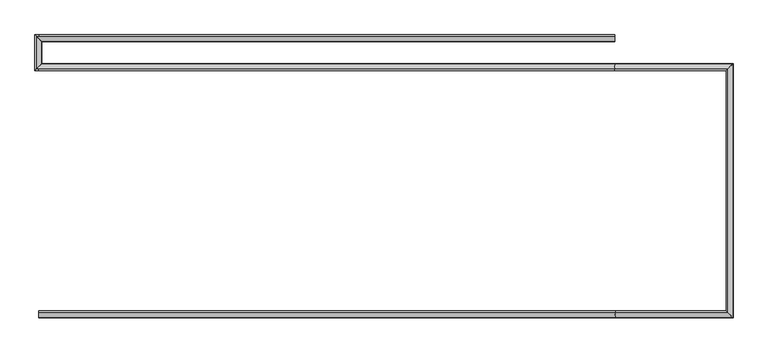
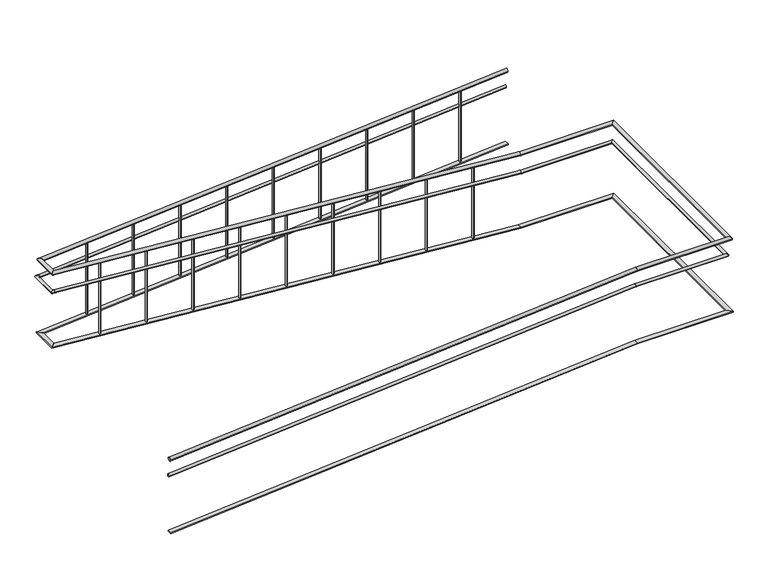
"""IFC4 building model written with IfcOpenShell, lengths in millimetres: railing geometry."""

from ifc_helpers import new_model, si_unit, frame, origin, place, context, project, spatial, ellipse_curve, faceted_brep, source, transform, mapped, element, save
from ifc_brep_helpers import plane_surface, cylinder_surface, advanced_brep


def railing_cec57ca0(model_context):
    return source(origin(), model_context, "Body", "SolidModel", [
        advanced_brep(
        [(-11239.9887159, -20716.8920513, -320.0638979), (-11239.9887159, -20676.8920513, -320.0638979), (-6239.1899918, -20716.8920513, 80.0), (-6239.1899918, -20676.8920513, 80.0), (-5219.9887159, -20716.8920513, 80.0), (-5259.9887159, -20676.8920513, 80.0), (-5219.9887159, -18516.8920513, 80.0), (-5259.9887159, -18556.8920513, 80.0), (-6240.78744, -18516.8920513, 80.0), (-6240.78744, -18556.8920513, 80.0), (-11221.6473148, -18516.8920513, 478.46879), (-11261.5199259, -18556.8920513, 481.6585989)],
        [
            (0, 1, ellipse_curve(frame((-11239.9887159, -20696.8920513, -320.0638979), z_axis=(-1.0, 0.0, 0.0), x_axis=(0.0, 0.0, -1.0)), 20.0638979, 20.0)),
            (1, 0, ellipse_curve(frame((-11239.9887159, -20696.8920513, -320.0638979), z_axis=(-1.0, 0.0, 0.0), x_axis=(0.0, 0.0, -1.0)), 20.0638979, 20.0)),
            (0, 2),
            (2, 3, ellipse_curve(frame((-6239.1899918, -20696.8920513, 80.0), z_axis=(-0.9992035024298416, 0.0, -0.03990439489501753), x_axis=(0.03990439489501675, 0.0, -0.9992035024298417)), 20.0159426, 20.0)),
            (3, 1),
            (3, 2, ellipse_curve(frame((-6239.1899918, -20696.8920513, 80.0), z_axis=(-0.9992035024298416, 0.0, -0.03990439489501753), x_axis=(0.03990439489501675, 0.0, -0.9992035024298417)), 20.0159426, 20.0)),
            (2, 4),
            (4, 5, ellipse_curve(frame((-5239.9887159, -20696.8920513, 80.0), z_axis=(-0.7071067811865487, -0.7071067811865462, 0.0), x_axis=(-0.7071067811865464, 0.7071067811865487, 0.0)), 28.2842712, 20.0)),
            (5, 3),
            (5, 4, ellipse_curve(frame((-5239.9887159, -20696.8920513, 80.0), z_axis=(-0.7071067811865487, -0.7071067811865462, 0.0), x_axis=(-0.7071067811865464, 0.7071067811865487, 0.0)), 28.2842712, 20.0)),
            (4, 6),
            (6, 7, ellipse_curve(frame((-5239.9887159, -18536.8920513, 80.0), z_axis=(0.7071067811865462, -0.7071067811865487, 0.0), x_axis=(-0.7071067811865487, -0.7071067811865464, 0.0)), 28.2842712, 20.0)),
            (7, 5),
            (7, 6, ellipse_curve(frame((-5239.9887159, -18536.8920513, 80.0), z_axis=(0.7071067811865462, -0.7071067811865487, 0.0), x_axis=(-0.7071067811865487, -0.7071067811865464, 0.0)), 28.2842712, 20.0)),
            (6, 8),
            (8, 9, ellipse_curve(frame((-6240.78744, -18536.8920513, 80.0), z_axis=(0.9992035024298416, 0.0, -0.03990439489501752), x_axis=(0.03990439489501954, 0.0, 0.9992035024298416)), 20.0159426, 20.0)),
            (9, 7),
            (9, 8, ellipse_curve(frame((-6240.78744, -18536.8920513, 80.0), z_axis=(0.9992035024298416, 0.0, -0.03990439489501752), x_axis=(0.03990439489501954, 0.0, 0.9992035024298416)), 20.0159426, 20.0)),
            (10, 11, ellipse_curve(frame((-11241.5836203, -18536.8920513, 480.0636944), z_axis=(-0.7048548430432501, 0.7071067811865488, 0.056388387443460086), x_axis=(0.704854843043252, 0.7071067811865466, -0.056388387443460086)), 28.2842712, 20.0)),
            (11, 10, ellipse_curve(frame((-11241.5836203, -18536.8920513, 480.0636944), z_axis=(-0.7048548430432501, 0.7071067811865488, 0.056388387443460086), x_axis=(0.704854843043252, 0.7071067811865466, -0.056388387443460086)), 28.2842712, 20.0)),
            (8, 10),
            (11, 9),
        ],
        [
            plane_surface(frame((-11239.9887159, -20696.8920513, -300.0), z_axis=(-1.0, 0.0, 0.0), x_axis=(0.0, 1.0, 0.0))),
            cylinder_surface(frame((-11238.3938115, -20696.8920513, -319.9363056), z_axis=(-0.9968152785361251, 0.0, -0.07974522228289002), x_axis=(0.0, 1.0, 0.0)), 20.0),
            cylinder_surface(frame((-6239.9887159, -20696.8920513, 80.0), z_axis=(-1.0, 0.0, 0.0), x_axis=(0.0, 1.0, 0.0)), 20.0),
            cylinder_surface(frame((-5239.9887159, -20696.8920513, 80.0), z_axis=(0.0, -1.0, 0.0), x_axis=(-1.0, 0.0, 0.0)), 20.0),
            cylinder_surface(frame((-5239.9887159, -18536.8920513, 80.0), z_axis=(1.0, 0.0, 0.0), x_axis=(0.0, -1.0, 0.0)), 20.0),
            plane_surface(frame((-11239.9887159, -18536.8920513, 500.0), z_axis=(-0.7048548430432501, 0.7071067811865488, 0.056388387443460086), x_axis=(0.7093515702657431, 0.7026242841491772, 0.0560309297208325))),
            cylinder_surface(frame((-6241.5836203, -18536.8920513, 80.0636944), z_axis=(0.9968152785361251, 0.0, -0.07974522228289001), x_axis=(0.0, -1.0, 0.0)), 20.0),
        ],
        [
            (0, [[1, 2]]),
            (1, [[-1, 3, 4, 5]]),
            (1, [[-2, -5, 6, -3]]),
            (2, [[-4, 7, 8, 9]]),
            (2, [[-6, -9, 10, -7]]),
            (3, [[-8, 11, 12, 13]]),
            (3, [[-10, -13, 14, -11]]),
            (4, [[-12, 15, 16, 17]]),
            (4, [[-14, -17, 18, -15]]),
            (5, [[19, 20]]),
            (6, [[-16, 21, -20, 22]]),
            (6, [[-18, -22, -19, -21]]),
        ],
    ),
        advanced_brep(
        [(-11219.9887159, -18515.3608413, 480.0), (-11259.9887159, -18555.2334525, 480.0), (-11219.9887159, -18315.2334525, 480.0), (-11259.9887159, -18275.3608413, 480.0)],
        [
            (0, 1, ellipse_curve(frame((-11239.9887159, -18535.2971469, 480.0), z_axis=(0.7048548430432501, -0.7071067811865488, -0.056388387443460086), x_axis=(-0.7048548430432525, -0.7071067811865462, 0.056388387443460086)), 28.2842712, 20.0)),
            (1, 0, ellipse_curve(frame((-11239.9887159, -18535.2971469, 480.0), z_axis=(0.7048548430432501, -0.7071067811865488, -0.056388387443460086), x_axis=(-0.7048548430432525, -0.7071067811865462, 0.056388387443460086)), 28.2842712, 20.0)),
            (2, 3, ellipse_curve(frame((-11239.9887159, -18295.2971469, 480.0), z_axis=(0.7048548430432531, 0.7071067811865457, 0.05638838744346012), x_axis=(0.7048548430432493, -0.7071067811865495, 0.05638838744346002)), 28.2842712, 20.0)),
            (3, 2, ellipse_curve(frame((-11239.9887159, -18295.2971469, 480.0), z_axis=(0.7048548430432531, 0.7071067811865457, 0.05638838744346012), x_axis=(0.7048548430432493, -0.7071067811865495, 0.05638838744346002)), 28.2842712, 20.0)),
            (0, 2),
            (3, 1),
        ],
        [
            plane_surface(frame((-11239.9887159, -18536.8920513, 500.0), z_axis=(0.7048548430432501, -0.7071067811865488, -0.056388387443460086), x_axis=(0.7093515702657431, 0.7026242841491772, 0.0560309297208325))),
            plane_surface(frame((-11239.9887159, -18296.8920513, 500.0), z_axis=(0.7048548430432531, 0.7071067811865457, 0.05638838744346012), x_axis=(0.70935157026574, -0.7026242841491802, -0.05603092972083302))),
            cylinder_surface(frame((-11239.9887159, -18536.8920513, 480.0), z_axis=(0.0, -1.0, 0.0), x_axis=(-1.0, 0.0, 0.0)), 20.0),
        ],
        [
            (0, [[1, 2]]),
            (1, [[3, 4]]),
            (2, [[-1, 5, -4, 6]]),
            (2, [[-2, -6, -3, -5]]),
        ],
    ),
        advanced_brep(
        [(-11218.4575059, -18316.8920513, 481.6585989), (-11258.330117, -18276.8920513, 478.46879), (-6239.9887159, -18316.8920513, 879.9361021), (-6239.9887159, -18276.8920513, 879.9361021)],
        [
            (0, 1, ellipse_curve(frame((-11238.3938115, -18296.8920513, 480.0636944), z_axis=(-0.7048548430432531, -0.7071067811865457, -0.05638838744346012), x_axis=(-0.7048548430432493, 0.7071067811865495, -0.05638838744346001)), 28.2842712, 20.0)),
            (1, 0, ellipse_curve(frame((-11238.3938115, -18296.8920513, 480.0636944), z_axis=(-0.7048548430432531, -0.7071067811865457, -0.05638838744346012), x_axis=(-0.7048548430432493, 0.7071067811865495, -0.05638838744346001)), 28.2842712, 20.0)),
            (2, 3, ellipse_curve(frame((-6239.9887159, -18296.8920513, 879.9361021), z_axis=(1.0, 0.0, 0.0), x_axis=(0.0, 0.0, -1.0)), 20.0638979, 20.0)),
            (3, 2, ellipse_curve(frame((-6239.9887159, -18296.8920513, 879.9361021), z_axis=(1.0, 0.0, 0.0), x_axis=(0.0, 0.0, -1.0)), 20.0638979, 20.0)),
            (0, 2),
            (3, 1),
        ],
        [
            plane_surface(frame((-11239.9887159, -18296.8920513, 500.0), z_axis=(-0.7048548430432531, -0.7071067811865457, -0.05638838744346012), x_axis=(0.70935157026574, -0.7026242841491802, -0.05603092972083302))),
            plane_surface(frame((-6239.9887159, -18296.8920513, 900.0), z_axis=(1.0, 0.0, 0.0), x_axis=(0.0, 1.0, 0.0))),
            cylinder_surface(frame((-11238.3938115, -18296.8920513, 480.0636944), z_axis=(-0.9968152785361251, 0.0, -0.07974522228288997), x_axis=(0.0, 1.0, 0.0)), 20.0),
        ],
        [
            (0, [[1, 2]]),
            (1, [[3, 4]]),
            (2, [[-1, 5, -4, 6]]),
            (2, [[-2, -6, -3, -5]]),
        ],
    ),
        advanced_brep(
        [(-11239.9887159, -20691.8920513, -515.0479234), (-11239.9887159, -20661.8920513, -515.0479234), (-6239.3896728, -20691.8920513, -115.0), (-6239.3896728, -20661.8920513, -115.0), (-5244.9887159, -20691.8920513, -115.0), (-5274.9887159, -20661.8920513, -115.0), (-5244.9887159, -18541.8920513, -115.0), (-5274.9887159, -18571.8920513, -115.0), (-6240.587759, -18541.8920513, -115.0), (-6240.587759, -18571.8920513, -115.0), (-11240.587759, -18541.8920513, 285.0), (-11240.587759, -18571.8920513, 285.0), (-11244.9887159, -18541.8920513, 285.0), (-11274.9887159, -18571.8920513, 285.0), (-11244.9887159, -18291.8920513, 285.0), (-11274.9887159, -18261.8920513, 285.0), (-11239.3896728, -18291.8920513, 285.0), (-11239.3896728, -18261.8920513, 285.0), (-6239.9887159, -18291.8920513, 684.9520766), (-6239.9887159, -18261.8920513, 684.9520766)],
        [
            (0, 1, ellipse_curve(frame((-11239.9887159, -20676.8920513, -515.0479234), z_axis=(-1.0, 0.0, 0.0), x_axis=(0.0, 0.0, -1.0)), 15.0479234, 15.0)),
            (1, 0, ellipse_curve(frame((-11239.9887159, -20676.8920513, -515.0479234), z_axis=(-1.0, 0.0, 0.0), x_axis=(0.0, 0.0, -1.0)), 15.0479234, 15.0)),
            (0, 2),
            (2, 3, ellipse_curve(frame((-6239.3896728, -20676.8920513, -115.0), z_axis=(-0.9992035024298416, 0.0, -0.03990439489501753), x_axis=(0.03990439489501675, 0.0, -0.9992035024298417)), 15.011957, 15.0)),
            (3, 1),
            (3, 2, ellipse_curve(frame((-6239.3896728, -20676.8920513, -115.0), z_axis=(-0.9992035024298416, 0.0, -0.03990439489501753), x_axis=(0.03990439489501675, 0.0, -0.9992035024298417)), 15.011957, 15.0)),
            (2, 4),
            (4, 5, ellipse_curve(frame((-5259.9887159, -20676.8920513, -115.0), z_axis=(-0.7071067811865487, -0.7071067811865462, 0.0), x_axis=(-0.7071067811865464, 0.7071067811865487, 0.0)), 21.2132034, 15.0)),
            (5, 3),
            (5, 4, ellipse_curve(frame((-5259.9887159, -20676.8920513, -115.0), z_axis=(-0.7071067811865487, -0.7071067811865462, 0.0), x_axis=(-0.7071067811865464, 0.7071067811865487, 0.0)), 21.2132034, 15.0)),
            (4, 6),
            (6, 7, ellipse_curve(frame((-5259.9887159, -18556.8920513, -115.0), z_axis=(0.7071067811865462, -0.7071067811865487, 0.0), x_axis=(-0.7071067811865487, -0.7071067811865464, 0.0)), 21.2132034, 15.0)),
            (7, 5),
            (7, 6, ellipse_curve(frame((-5259.9887159, -18556.8920513, -115.0), z_axis=(0.7071067811865462, -0.7071067811865487, 0.0), x_axis=(-0.7071067811865487, -0.7071067811865464, 0.0)), 21.2132034, 15.0)),
            (6, 8),
            (8, 9, ellipse_curve(frame((-6240.587759, -18556.8920513, -115.0), z_axis=(0.9992035024298416, 0.0, -0.03990439489501752), x_axis=(0.03990439489501954, 0.0, 0.9992035024298416)), 15.011957, 15.0)),
            (9, 7),
            (9, 8, ellipse_curve(frame((-6240.587759, -18556.8920513, -115.0), z_axis=(0.9992035024298416, 0.0, -0.03990439489501752), x_axis=(0.03990439489501954, 0.0, 0.9992035024298416)), 15.011957, 15.0)),
            (8, 10),
            (10, 11, ellipse_curve(frame((-11240.587759, -18556.8920513, 285.0), z_axis=(0.9992035024298416, 0.0, -0.03990439489501752), x_axis=(-0.03990439489501675, 0.0, -0.9992035024298416)), 15.011957, 15.0)),
            (11, 9),
            (11, 10, ellipse_curve(frame((-11240.587759, -18556.8920513, 285.0), z_axis=(0.9992035024298416, 0.0, -0.03990439489501752), x_axis=(-0.03990439489501675, 0.0, -0.9992035024298416)), 15.011957, 15.0)),
            (10, 12),
            (12, 13, ellipse_curve(frame((-11259.9887159, -18556.8920513, 285.0), z_axis=(0.7071067811865462, -0.7071067811865487, 0.0), x_axis=(0.7071067811865488, 0.7071067811865461, 0.0)), 21.2132034, 15.0)),
            (13, 11),
            (13, 12, ellipse_curve(frame((-11259.9887159, -18556.8920513, 285.0), z_axis=(0.7071067811865462, -0.7071067811865487, 0.0), x_axis=(0.7071067811865488, 0.7071067811865461, 0.0)), 21.2132034, 15.0)),
            (12, 14),
            (14, 15, ellipse_curve(frame((-11259.9887159, -18276.8920513, 285.0), z_axis=(-0.7071067811865492, -0.7071067811865457, 0.0), x_axis=(0.7071067811865455, -0.7071067811865495, 0.0)), 21.2132034, 15.0)),
            (15, 13),
            (15, 14, ellipse_curve(frame((-11259.9887159, -18276.8920513, 285.0), z_axis=(-0.7071067811865492, -0.7071067811865457, 0.0), x_axis=(0.7071067811865455, -0.7071067811865495, 0.0)), 21.2132034, 15.0)),
            (14, 16),
            (16, 17, ellipse_curve(frame((-11239.3896728, -18276.8920513, 285.0), z_axis=(-0.9992035024298416, 0.0, -0.03990439489501751), x_axis=(-0.039904394895019554, 0.0, 0.9992035024298416)), 15.011957, 15.0)),
            (17, 15),
            (17, 16, ellipse_curve(frame((-11239.3896728, -18276.8920513, 285.0), z_axis=(-0.9992035024298416, 0.0, -0.03990439489501751), x_axis=(-0.039904394895019554, 0.0, 0.9992035024298416)), 15.011957, 15.0)),
            (18, 19, ellipse_curve(frame((-6239.9887159, -18276.8920513, 684.9520766), z_axis=(1.0, 0.0, 0.0), x_axis=(0.0, 0.0, -1.0)), 15.0479234, 15.0)),
            (19, 18, ellipse_curve(frame((-6239.9887159, -18276.8920513, 684.9520766), z_axis=(1.0, 0.0, 0.0), x_axis=(0.0, 0.0, -1.0)), 15.0479234, 15.0)),
            (16, 18),
            (19, 17),
        ],
        [
            plane_surface(frame((-11239.9887159, -20676.8920513, -500.0), z_axis=(-1.0, 0.0, 0.0), x_axis=(0.0, 1.0, 0.0))),
            cylinder_surface(frame((-11238.7925376, -20676.8920513, -514.9522292), z_axis=(-0.9968152785361251, 0.0, -0.07974522228289002), x_axis=(0.0, 1.0, 0.0)), 15.0),
            cylinder_surface(frame((-6239.9887159, -20676.8920513, -115.0), z_axis=(-1.0, 0.0, 0.0), x_axis=(0.0, 1.0, 0.0)), 15.0),
            cylinder_surface(frame((-5259.9887159, -20676.8920513, -115.0), z_axis=(0.0, -1.0, 0.0), x_axis=(-1.0, 0.0, 0.0)), 15.0),
            cylinder_surface(frame((-5259.9887159, -18556.8920513, -115.0), z_axis=(1.0, 0.0, 0.0), x_axis=(0.0, -1.0, 0.0)), 15.0),
            cylinder_surface(frame((-6241.1848942, -18556.8920513, -114.9522292), z_axis=(0.9968152785361251, 0.0, -0.07974522228289001), x_axis=(0.0, -1.0, 0.0)), 15.0),
            cylinder_surface(frame((-11239.9887159, -18556.8920513, 285.0), z_axis=(1.0, 0.0, 0.0), x_axis=(0.0, -1.0, 0.0)), 15.0),
            cylinder_surface(frame((-11259.9887159, -18556.8920513, 285.0), z_axis=(0.0, -1.0, 0.0), x_axis=(-1.0, 0.0, 0.0)), 15.0),
            cylinder_surface(frame((-11259.9887159, -18276.8920513, 285.0), z_axis=(-1.0, 0.0, 0.0), x_axis=(0.0, 1.0, 0.0)), 15.0),
            plane_surface(frame((-6239.9887159, -18276.8920513, 700.0), z_axis=(1.0, 0.0, 0.0), x_axis=(0.0, 1.0, 0.0))),
            cylinder_surface(frame((-11238.7925376, -18276.8920513, 285.0477708), z_axis=(-0.9968152785361251, 0.0, -0.07974522228288998), x_axis=(0.0, 1.0, 0.0)), 15.0),
        ],
        [
            (0, [[1, 2]]),
            (1, [[-1, 3, 4, 5]]),
            (1, [[-2, -5, 6, -3]]),
            (2, [[-4, 7, 8, 9]]),
            (2, [[-6, -9, 10, -7]]),
            (3, [[-8, 11, 12, 13]]),
            (3, [[-10, -13, 14, -11]]),
            (4, [[-12, 15, 16, 17]]),
            (4, [[-14, -17, 18, -15]]),
            (5, [[-16, 19, 20, 21]]),
            (5, [[-18, -21, 22, -19]]),
            (6, [[-20, 23, 24, 25]]),
            (6, [[-22, -25, 26, -23]]),
            (7, [[-24, 27, 28, 29]]),
            (7, [[-26, -29, 30, -27]]),
            (8, [[-28, 31, 32, 33]]),
            (8, [[-30, -33, 34, -31]]),
            (9, [[35, 36]]),
            (10, [[-32, 37, -36, 38]]),
            (10, [[-34, -38, -35, -37]]),
        ],
    ),
        faceted_brep([(-11239.9887159, -20671.8920513, -1140.0), (-11239.9887159, -20671.8920513, -1150.031949), (-11239.9887159, -20721.8920513, -1150.031949), (-11239.9887159, -20721.8920513, -1140.0), (-6239.9887159, -20671.8920513, -740.0), (-6239.5893539, -20671.8920513, -750.0), (-6239.5893539, -20721.8920513, -750.0), (-6239.9887159, -20721.8920513, -740.0), (-5264.9887159, -20671.8920513, -740.0), (-5264.9887159, -20671.8920513, -750.0), (-5214.9887159, -20721.8920513, -750.0), (-5214.9887159, -20721.8920513, -740.0), (-5264.9887159, -18561.8920513, -740.0), (-5264.9887159, -18561.8920513, -750.0), (-5214.9887159, -18511.8920513, -750.0), (-5214.9887159, -18511.8920513, -740.0), (-6239.9887159, -18561.8920513, -740.0), (-6240.3880779, -18561.8920513, -750.0), (-6240.3880779, -18511.8920513, -750.0), (-6239.9887159, -18511.8920513, -740.0), (-11264.9090979, -18561.8920513, -338.0063694), (-11215.0683339, -18511.8920513, -341.9936306), (-11215.8657862, -18511.8920513, -351.9617833), (-11265.7065501, -18561.8920513, -347.9745222)], [[[0, 1, 2, 3]], [[1, 0, 4, 5]], [[2, 1, 5, 6]], [[3, 2, 6, 7]], [[0, 3, 7, 4]], [[5, 4, 8, 9]], [[6, 5, 9, 10]], [[7, 6, 10, 11]], [[4, 7, 11, 8]], [[9, 8, 12, 13]], [[10, 9, 13, 14]], [[11, 10, 14, 15]], [[8, 11, 15, 12]], [[13, 12, 16, 17]], [[14, 13, 17, 18]], [[15, 14, 18, 19]], [[12, 15, 19, 16]], [[20, 21, 22, 23]], [[17, 16, 20, 23]], [[18, 17, 23, 22]], [[19, 18, 22, 21]], [[16, 19, 21, 20]]]),
        faceted_brep([(-11264.9887159, -18561.8124333, -340.0), (-11264.9887159, -18561.0149811, -350.0), (-11214.9887159, -18511.1742172, -350.0), (-11214.9887159, -18511.9716694, -340.0), (-11264.9887159, -18271.9716694, -340.0), (-11214.9887159, -18321.8124333, -340.0), (-11214.9887159, -18321.0149811, -350.0), (-11264.9887159, -18271.1742172, -350.0)], [[[0, 1, 2, 3]], [[4, 5, 6, 7]], [[1, 0, 4, 7]], [[2, 1, 7, 6]], [[3, 2, 6, 5]], [[0, 3, 5, 4]]]),
        faceted_brep([(-11264.9090979, -18271.8920513, -341.9936306), (-11264.1116456, -18271.8920513, -351.9617833), (-11214.2708817, -18321.8920513, -347.9745222), (-11215.0683339, -18321.8920513, -338.0063694), (-6239.9887159, -18271.8920513, 60.0), (-6239.9887159, -18321.8920513, 60.0), (-6239.9887159, -18321.8920513, 49.968051), (-6239.9887159, -18271.8920513, 49.968051)], [[[0, 1, 2, 3]], [[4, 5, 6, 7]], [[1, 0, 4, 7]], [[2, 1, 7, 6]], [[3, 2, 6, 5]], [[0, 3, 5, 4]]]),
        advanced_brep(
        [(-6739.9887159, -18286.8920513, 819.8722041), (-6739.9887159, -18306.8920513, 819.8722041), (-6739.9887159, -18306.8920513, 20.0), (-6739.9887159, -18286.8920513, 20.0)],
        [
            (0, 1, ellipse_curve(frame((-6739.9887159, -18296.8920513, 819.8722041), z_axis=(0.07974522228288877, 0.0, -0.9968152785361252), x_axis=(0.9968152785361252, 0.0, 0.07974522228288722)), 10.031949, 10.0)),
            (1, 2),
            (2, 3, ellipse_curve(frame((-6739.9887159, -18296.8920513, 20.0), z_axis=(-0.07974522228288976, 0.0, 0.9968152785361251), x_axis=(0.9968152785361251, 0.0, 0.07974522228288902)), 10.031949, 10.0)),
            (3, 0),
            (3, 2, ellipse_curve(frame((-6739.9887159, -18296.8920513, 20.0), z_axis=(-0.07974522228288976, 0.0, 0.9968152785361251), x_axis=(0.9968152785361251, 0.0, 0.07974522228288902)), 10.031949, 10.0)),
            (1, 0, ellipse_curve(frame((-6739.9887159, -18296.8920513, 819.8722041), z_axis=(0.07974522228288877, 0.0, -0.9968152785361252), x_axis=(0.9968152785361252, 0.0, 0.07974522228288722)), 10.031949, 10.0)),
        ],
        [
            cylinder_surface(frame((-6739.9887159, -18296.8920513, -80.0), z_axis=(0.0, 0.0, 1.0), x_axis=(0.0, -1.0, 0.0)), 10.0),
            plane_surface(frame((-6719.9887159, -18316.8920513, 821.4722041), z_axis=(-0.07974522228288877, 0.0, 0.9968152785361252), x_axis=(0.0, 1.0, 0.0))),
            plane_surface(frame((-6759.9887159, -18316.8920513, 18.4), z_axis=(0.07974522228288976, 0.0, -0.9968152785361251), x_axis=(0.0, 1.0, 0.0))),
        ],
        [
            (0, [[1, 2, 3, 4]]),
            (0, [[5, -2, 6, -4]]),
            (1, [[-6, -1]]),
            (2, [[-5, -3]]),
        ],
    ),
        advanced_brep(
        [(-7239.9887159, -18286.8920513, 779.8722041), (-7239.9887159, -18306.8920513, 779.8722041), (-7239.9887159, -18306.8920513, -20.0), (-7239.9887159, -18286.8920513, -20.0)],
        [
            (0, 1, ellipse_curve(frame((-7239.9887159, -18296.8920513, 779.8722041), z_axis=(0.07974522228288877, 0.0, -0.9968152785361252), x_axis=(0.9968152785361252, 0.0, 0.07974522228288722)), 10.031949, 10.0)),
            (1, 2),
            (2, 3, ellipse_curve(frame((-7239.9887159, -18296.8920513, -20.0), z_axis=(-0.07974522228288976, 0.0, 0.9968152785361251), x_axis=(0.9968152785361251, 0.0, 0.07974522228288902)), 10.031949, 10.0)),
            (3, 0),
            (3, 2, ellipse_curve(frame((-7239.9887159, -18296.8920513, -20.0), z_axis=(-0.07974522228288976, 0.0, 0.9968152785361251), x_axis=(0.9968152785361251, 0.0, 0.07974522228288902)), 10.031949, 10.0)),
            (1, 0, ellipse_curve(frame((-7239.9887159, -18296.8920513, 779.8722041), z_axis=(0.07974522228288877, 0.0, -0.9968152785361252), x_axis=(0.9968152785361252, 0.0, 0.07974522228288722)), 10.031949, 10.0)),
        ],
        [
            cylinder_surface(frame((-7239.9887159, -18296.8920513, -120.0), z_axis=(0.0, 0.0, 1.0), x_axis=(0.0, -1.0, 0.0)), 10.0),
            plane_surface(frame((-7219.9887159, -18316.8920513, 781.4722041), z_axis=(-0.07974522228288877, 0.0, 0.9968152785361252), x_axis=(0.0, 1.0, 0.0))),
            plane_surface(frame((-7259.9887159, -18316.8920513, -21.6), z_axis=(0.07974522228288976, 0.0, -0.9968152785361251), x_axis=(0.0, 1.0, 0.0))),
        ],
        [
            (0, [[1, 2, 3, 4]]),
            (0, [[5, -2, 6, -4]]),
            (1, [[-6, -1]]),
            (2, [[-5, -3]]),
        ],
    ),
        advanced_brep(
        [(-7739.9887159, -18286.8920513, 739.8722041), (-7739.9887159, -18306.8920513, 739.8722041), (-7739.9887159, -18306.8920513, -60.0), (-7739.9887159, -18286.8920513, -60.0)],
        [
            (0, 1, ellipse_curve(frame((-7739.9887159, -18296.8920513, 739.8722041), z_axis=(0.07974522228288877, 0.0, -0.9968152785361252), x_axis=(0.9968152785361252, 0.0, 0.07974522228288722)), 10.031949, 10.0)),
            (1, 2),
            (2, 3, ellipse_curve(frame((-7739.9887159, -18296.8920513, -60.0), z_axis=(-0.07974522228288976, 0.0, 0.9968152785361251), x_axis=(0.9968152785361251, 0.0, 0.07974522228288902)), 10.031949, 10.0)),
            (3, 0),
            (3, 2, ellipse_curve(frame((-7739.9887159, -18296.8920513, -60.0), z_axis=(-0.07974522228288976, 0.0, 0.9968152785361251), x_axis=(0.9968152785361251, 0.0, 0.07974522228288902)), 10.031949, 10.0)),
            (1, 0, ellipse_curve(frame((-7739.9887159, -18296.8920513, 739.8722041), z_axis=(0.07974522228288877, 0.0, -0.9968152785361252), x_axis=(0.9968152785361252, 0.0, 0.07974522228288722)), 10.031949, 10.0)),
        ],
        [
            cylinder_surface(frame((-7739.9887159, -18296.8920513, -160.0), z_axis=(0.0, 0.0, 1.0), x_axis=(0.0, -1.0, 0.0)), 10.0),
            plane_surface(frame((-7719.9887159, -18316.8920513, 741.4722041), z_axis=(-0.07974522228288877, 0.0, 0.9968152785361252), x_axis=(0.0, 1.0, 0.0))),
            plane_surface(frame((-7759.9887159, -18316.8920513, -61.6), z_axis=(0.07974522228288976, 0.0, -0.9968152785361251), x_axis=(0.0, 1.0, 0.0))),
        ],
        [
            (0, [[1, 2, 3, 4]]),
            (0, [[5, -2, 6, -4]]),
            (1, [[-6, -1]]),
            (2, [[-5, -3]]),
        ],
    ),
        advanced_brep(
        [(-8239.9887159, -18286.8920513, 699.8722041), (-8239.9887159, -18306.8920513, 699.8722041), (-8239.9887159, -18306.8920513, -100.0), (-8239.9887159, -18286.8920513, -100.0)],
        [
            (0, 1, ellipse_curve(frame((-8239.9887159, -18296.8920513, 699.8722041), z_axis=(0.07974522228288877, 0.0, -0.9968152785361252), x_axis=(0.9968152785361252, 0.0, 0.07974522228288722)), 10.031949, 10.0)),
            (1, 2),
            (2, 3, ellipse_curve(frame((-8239.9887159, -18296.8920513, -100.0), z_axis=(-0.07974522228288976, 0.0, 0.9968152785361251), x_axis=(0.9968152785361251, 0.0, 0.07974522228288902)), 10.031949, 10.0)),
            (3, 0),
            (3, 2, ellipse_curve(frame((-8239.9887159, -18296.8920513, -100.0), z_axis=(-0.07974522228288976, 0.0, 0.9968152785361251), x_axis=(0.9968152785361251, 0.0, 0.07974522228288902)), 10.031949, 10.0)),
            (1, 0, ellipse_curve(frame((-8239.9887159, -18296.8920513, 699.8722041), z_axis=(0.07974522228288877, 0.0, -0.9968152785361252), x_axis=(0.9968152785361252, 0.0, 0.07974522228288722)), 10.031949, 10.0)),
        ],
        [
            cylinder_surface(frame((-8239.9887159, -18296.8920513, -200.0), z_axis=(0.0, 0.0, 1.0), x_axis=(0.0, -1.0, 0.0)), 10.0),
            plane_surface(frame((-8219.9887159, -18316.8920513, 701.4722041), z_axis=(-0.07974522228288877, 0.0, 0.9968152785361252), x_axis=(0.0, 1.0, 0.0))),
            plane_surface(frame((-8259.9887159, -18316.8920513, -101.6), z_axis=(0.07974522228288976, 0.0, -0.9968152785361251), x_axis=(0.0, 1.0, 0.0))),
        ],
        [
            (0, [[1, 2, 3, 4]]),
            (0, [[5, -2, 6, -4]]),
            (1, [[-6, -1]]),
            (2, [[-5, -3]]),
        ],
    ),
        advanced_brep(
        [(-8739.9887159, -18286.8920513, 659.8722041), (-8739.9887159, -18306.8920513, 659.8722041), (-8739.9887159, -18306.8920513, -140.0), (-8739.9887159, -18286.8920513, -140.0)],
        [
            (0, 1, ellipse_curve(frame((-8739.9887159, -18296.8920513, 659.8722041), z_axis=(0.07974522228288877, 0.0, -0.9968152785361252), x_axis=(0.9968152785361252, 0.0, 0.07974522228288722)), 10.031949, 10.0)),
            (1, 2),
            (2, 3, ellipse_curve(frame((-8739.9887159, -18296.8920513, -140.0), z_axis=(-0.07974522228288976, 0.0, 0.9968152785361251), x_axis=(0.9968152785361251, 0.0, 0.07974522228288902)), 10.031949, 10.0)),
            (3, 0),
            (3, 2, ellipse_curve(frame((-8739.9887159, -18296.8920513, -140.0), z_axis=(-0.07974522228288976, 0.0, 0.9968152785361251), x_axis=(0.9968152785361251, 0.0, 0.07974522228288902)), 10.031949, 10.0)),
            (1, 0, ellipse_curve(frame((-8739.9887159, -18296.8920513, 659.8722041), z_axis=(0.07974522228288877, 0.0, -0.9968152785361252), x_axis=(0.9968152785361252, 0.0, 0.07974522228288722)), 10.031949, 10.0)),
        ],
        [
            cylinder_surface(frame((-8739.9887159, -18296.8920513, -240.0), z_axis=(0.0, 0.0, 1.0), x_axis=(0.0, -1.0, 0.0)), 10.0),
            plane_surface(frame((-8719.9887159, -18316.8920513, 661.4722041), z_axis=(-0.07974522228288877, 0.0, 0.9968152785361252), x_axis=(0.0, 1.0, 0.0))),
            plane_surface(frame((-8759.9887159, -18316.8920513, -141.6), z_axis=(0.07974522228288976, 0.0, -0.9968152785361251), x_axis=(0.0, 1.0, 0.0))),
        ],
        [
            (0, [[1, 2, 3, 4]]),
            (0, [[5, -2, 6, -4]]),
            (1, [[-6, -1]]),
            (2, [[-5, -3]]),
        ],
    ),
        advanced_brep(
        [(-9239.9887159, -18286.8920513, 619.8722041), (-9239.9887159, -18306.8920513, 619.8722041), (-9239.9887159, -18306.8920513, -180.0), (-9239.9887159, -18286.8920513, -180.0)],
        [
            (0, 1, ellipse_curve(frame((-9239.9887159, -18296.8920513, 619.8722041), z_axis=(0.07974522228288877, 0.0, -0.9968152785361252), x_axis=(0.9968152785361252, 0.0, 0.07974522228288722)), 10.031949, 10.0)),
            (1, 2),
            (2, 3, ellipse_curve(frame((-9239.9887159, -18296.8920513, -180.0), z_axis=(-0.07974522228288976, 0.0, 0.9968152785361251), x_axis=(0.9968152785361251, 0.0, 0.07974522228288902)), 10.031949, 10.0)),
            (3, 0),
            (3, 2, ellipse_curve(frame((-9239.9887159, -18296.8920513, -180.0), z_axis=(-0.07974522228288976, 0.0, 0.9968152785361251), x_axis=(0.9968152785361251, 0.0, 0.07974522228288902)), 10.031949, 10.0)),
            (1, 0, ellipse_curve(frame((-9239.9887159, -18296.8920513, 619.8722041), z_axis=(0.07974522228288877, 0.0, -0.9968152785361252), x_axis=(0.9968152785361252, 0.0, 0.07974522228288722)), 10.031949, 10.0)),
        ],
        [
            cylinder_surface(frame((-9239.9887159, -18296.8920513, -280.0), z_axis=(0.0, 0.0, 1.0), x_axis=(0.0, -1.0, 0.0)), 10.0),
            plane_surface(frame((-9219.9887159, -18316.8920513, 621.4722041), z_axis=(-0.07974522228288877, 0.0, 0.9968152785361252), x_axis=(0.0, 1.0, 0.0))),
            plane_surface(frame((-9259.9887159, -18316.8920513, -181.6), z_axis=(0.07974522228288976, 0.0, -0.9968152785361251), x_axis=(0.0, 1.0, 0.0))),
        ],
        [
            (0, [[1, 2, 3, 4]]),
            (0, [[5, -2, 6, -4]]),
            (1, [[-6, -1]]),
            (2, [[-5, -3]]),
        ],
    ),
        advanced_brep(
        [(-9739.9887159, -18286.8920513, 579.8722041), (-9739.9887159, -18306.8920513, 579.8722041), (-9739.9887159, -18306.8920513, -220.0), (-9739.9887159, -18286.8920513, -220.0)],
        [
            (0, 1, ellipse_curve(frame((-9739.9887159, -18296.8920513, 579.8722041), z_axis=(0.07974522228288877, 0.0, -0.9968152785361252), x_axis=(0.9968152785361252, 0.0, 0.07974522228288722)), 10.031949, 10.0)),
            (1, 2),
            (2, 3, ellipse_curve(frame((-9739.9887159, -18296.8920513, -220.0), z_axis=(-0.07974522228288976, 0.0, 0.9968152785361251), x_axis=(0.9968152785361251, 0.0, 0.07974522228288902)), 10.031949, 10.0)),
            (3, 0),
            (3, 2, ellipse_curve(frame((-9739.9887159, -18296.8920513, -220.0), z_axis=(-0.07974522228288976, 0.0, 0.9968152785361251), x_axis=(0.9968152785361251, 0.0, 0.07974522228288902)), 10.031949, 10.0)),
            (1, 0, ellipse_curve(frame((-9739.9887159, -18296.8920513, 579.8722041), z_axis=(0.07974522228288877, 0.0, -0.9968152785361252), x_axis=(0.9968152785361252, 0.0, 0.07974522228288722)), 10.031949, 10.0)),
        ],
        [
            cylinder_surface(frame((-9739.9887159, -18296.8920513, -320.0), z_axis=(0.0, 0.0, 1.0), x_axis=(0.0, -1.0, 0.0)), 10.0),
            plane_surface(frame((-9719.9887159, -18316.8920513, 581.4722041), z_axis=(-0.07974522228288877, 0.0, 0.9968152785361252), x_axis=(0.0, 1.0, 0.0))),
            plane_surface(frame((-9759.9887159, -18316.8920513, -221.6), z_axis=(0.07974522228288976, 0.0, -0.9968152785361251), x_axis=(0.0, 1.0, 0.0))),
        ],
        [
            (0, [[1, 2, 3, 4]]),
            (0, [[5, -2, 6, -4]]),
            (1, [[-6, -1]]),
            (2, [[-5, -3]]),
        ],
    ),
        advanced_brep(
        [(-10239.9887159, -18286.8920513, 539.8722041), (-10239.9887159, -18306.8920513, 539.8722041), (-10239.9887159, -18306.8920513, -260.0), (-10239.9887159, -18286.8920513, -260.0)],
        [
            (0, 1, ellipse_curve(frame((-10239.9887159, -18296.8920513, 539.8722041), z_axis=(0.07974522228288877, 0.0, -0.9968152785361252), x_axis=(0.9968152785361252, 0.0, 0.07974522228288722)), 10.031949, 10.0)),
            (1, 2),
            (2, 3, ellipse_curve(frame((-10239.9887159, -18296.8920513, -260.0), z_axis=(-0.07974522228288976, 0.0, 0.9968152785361251), x_axis=(0.9968152785361251, 0.0, 0.07974522228288902)), 10.031949, 10.0)),
            (3, 0),
            (3, 2, ellipse_curve(frame((-10239.9887159, -18296.8920513, -260.0), z_axis=(-0.07974522228288976, 0.0, 0.9968152785361251), x_axis=(0.9968152785361251, 0.0, 0.07974522228288902)), 10.031949, 10.0)),
            (1, 0, ellipse_curve(frame((-10239.9887159, -18296.8920513, 539.8722041), z_axis=(0.07974522228288877, 0.0, -0.9968152785361252), x_axis=(0.9968152785361252, 0.0, 0.07974522228288722)), 10.031949, 10.0)),
        ],
        [
            cylinder_surface(frame((-10239.9887159, -18296.8920513, -360.0), z_axis=(0.0, 0.0, 1.0), x_axis=(0.0, -1.0, 0.0)), 10.0),
            plane_surface(frame((-10219.9887159, -18316.8920513, 541.4722041), z_axis=(-0.07974522228288877, 0.0, 0.9968152785361252), x_axis=(0.0, 1.0, 0.0))),
            plane_surface(frame((-10259.9887159, -18316.8920513, -261.6), z_axis=(0.07974522228288976, 0.0, -0.9968152785361251), x_axis=(0.0, 1.0, 0.0))),
        ],
        [
            (0, [[1, 2, 3, 4]]),
            (0, [[5, -2, 6, -4]]),
            (1, [[-6, -1]]),
            (2, [[-5, -3]]),
        ],
    ),
        advanced_brep(
        [(-10739.9887159, -18286.8920513, 499.8722041), (-10739.9887159, -18306.8920513, 499.8722041), (-10739.9887159, -18306.8920513, -300.0), (-10739.9887159, -18286.8920513, -300.0)],
        [
            (0, 1, ellipse_curve(frame((-10739.9887159, -18296.8920513, 499.8722041), z_axis=(0.07974522228288877, 0.0, -0.9968152785361252), x_axis=(0.9968152785361252, 0.0, 0.07974522228288722)), 10.031949, 10.0)),
            (1, 2),
            (2, 3, ellipse_curve(frame((-10739.9887159, -18296.8920513, -300.0), z_axis=(-0.07974522228288976, 0.0, 0.9968152785361251), x_axis=(0.9968152785361251, 0.0, 0.07974522228288902)), 10.031949, 10.0)),
            (3, 0),
            (3, 2, ellipse_curve(frame((-10739.9887159, -18296.8920513, -300.0), z_axis=(-0.07974522228288976, 0.0, 0.9968152785361251), x_axis=(0.9968152785361251, 0.0, 0.07974522228288902)), 10.031949, 10.0)),
            (1, 0, ellipse_curve(frame((-10739.9887159, -18296.8920513, 499.8722041), z_axis=(0.07974522228288877, 0.0, -0.9968152785361252), x_axis=(0.9968152785361252, 0.0, 0.07974522228288722)), 10.031949, 10.0)),
        ],
        [
            cylinder_surface(frame((-10739.9887159, -18296.8920513, -400.0), z_axis=(0.0, 0.0, 1.0), x_axis=(0.0, -1.0, 0.0)), 10.0),
            plane_surface(frame((-10719.9887159, -18316.8920513, 501.4722041), z_axis=(-0.07974522228288877, 0.0, 0.9968152785361252), x_axis=(0.0, 1.0, 0.0))),
            plane_surface(frame((-10759.9887159, -18316.8920513, -301.6), z_axis=(0.07974522228288976, 0.0, -0.9968152785361251), x_axis=(0.0, 1.0, 0.0))),
        ],
        [
            (0, [[1, 2, 3, 4]]),
            (0, [[5, -2, 6, -4]]),
            (1, [[-6, -1]]),
            (2, [[-5, -3]]),
        ],
    ),
        advanced_brep(
        [(-10739.9887159, -18546.8920513, 419.8722041), (-10739.9887159, -18526.8920513, 419.8722041), (-10739.9887159, -18526.8920513, -380.0), (-10739.9887159, -18546.8920513, -380.0)],
        [
            (0, 1, ellipse_curve(frame((-10739.9887159, -18536.8920513, 419.8722041), z_axis=(-0.07974522228288877, 0.0, -0.9968152785361252), x_axis=(-0.9968152785361252, 0.0, 0.07974522228288722)), 10.031949, 10.0)),
            (1, 2),
            (2, 3, ellipse_curve(frame((-10739.9887159, -18536.8920513, -380.0), z_axis=(0.07974522228288976, 0.0, 0.9968152785361251), x_axis=(-0.9968152785361251, 0.0, 0.07974522228288902)), 10.031949, 10.0)),
            (3, 0),
            (3, 2, ellipse_curve(frame((-10739.9887159, -18536.8920513, -380.0), z_axis=(0.07974522228288976, 0.0, 0.9968152785361251), x_axis=(-0.9968152785361251, 0.0, 0.07974522228288902)), 10.031949, 10.0)),
            (1, 0, ellipse_curve(frame((-10739.9887159, -18536.8920513, 419.8722041), z_axis=(-0.07974522228288877, 0.0, -0.9968152785361252), x_axis=(-0.9968152785361252, 0.0, 0.07974522228288722)), 10.031949, 10.0)),
        ],
        [
            cylinder_surface(frame((-10739.9887159, -18536.8920513, -480.0), z_axis=(0.0, 0.0, 1.0), x_axis=(0.0, 1.0, 0.0)), 10.0),
            plane_surface(frame((-10759.9887159, -18516.8920513, 421.4722041), z_axis=(0.07974522228288877, 0.0, 0.9968152785361252), x_axis=(0.0, -1.0, 0.0))),
            plane_surface(frame((-10719.9887159, -18516.8920513, -381.6), z_axis=(-0.07974522228288976, 0.0, -0.9968152785361251), x_axis=(0.0, -1.0, 0.0))),
        ],
        [
            (0, [[1, 2, 3, 4]]),
            (0, [[5, -2, 6, -4]]),
            (1, [[-6, -1]]),
            (2, [[-5, -3]]),
        ],
    ),
        advanced_brep(
        [(-10239.9887159, -18546.8920513, 379.8722041), (-10239.9887159, -18526.8920513, 379.8722041), (-10239.9887159, -18526.8920513, -420.0), (-10239.9887159, -18546.8920513, -420.0)],
        [
            (0, 1, ellipse_curve(frame((-10239.9887159, -18536.8920513, 379.8722041), z_axis=(-0.07974522228288877, 0.0, -0.9968152785361252), x_axis=(-0.9968152785361252, 0.0, 0.07974522228288722)), 10.031949, 10.0)),
            (1, 2),
            (2, 3, ellipse_curve(frame((-10239.9887159, -18536.8920513, -420.0), z_axis=(0.07974522228288976, 0.0, 0.9968152785361251), x_axis=(-0.9968152785361251, 0.0, 0.07974522228288902)), 10.031949, 10.0)),
            (3, 0),
            (3, 2, ellipse_curve(frame((-10239.9887159, -18536.8920513, -420.0), z_axis=(0.07974522228288976, 0.0, 0.9968152785361251), x_axis=(-0.9968152785361251, 0.0, 0.07974522228288902)), 10.031949, 10.0)),
            (1, 0, ellipse_curve(frame((-10239.9887159, -18536.8920513, 379.8722041), z_axis=(-0.07974522228288877, 0.0, -0.9968152785361252), x_axis=(-0.9968152785361252, 0.0, 0.07974522228288722)), 10.031949, 10.0)),
        ],
        [
            cylinder_surface(frame((-10239.9887159, -18536.8920513, -520.0), z_axis=(0.0, 0.0, 1.0), x_axis=(0.0, 1.0, 0.0)), 10.0),
            plane_surface(frame((-10259.9887159, -18516.8920513, 381.4722041), z_axis=(0.07974522228288877, 0.0, 0.9968152785361252), x_axis=(0.0, -1.0, 0.0))),
            plane_surface(frame((-10219.9887159, -18516.8920513, -421.6), z_axis=(-0.07974522228288976, 0.0, -0.9968152785361251), x_axis=(0.0, -1.0, 0.0))),
        ],
        [
            (0, [[1, 2, 3, 4]]),
            (0, [[5, -2, 6, -4]]),
            (1, [[-6, -1]]),
            (2, [[-5, -3]]),
        ],
    ),
        advanced_brep(
        [(-9739.9887159, -18546.8920513, 339.8722041), (-9739.9887159, -18526.8920513, 339.8722041), (-9739.9887159, -18526.8920513, -460.0), (-9739.9887159, -18546.8920513, -460.0)],
        [
            (0, 1, ellipse_curve(frame((-9739.9887159, -18536.8920513, 339.8722041), z_axis=(-0.07974522228288877, 0.0, -0.9968152785361252), x_axis=(-0.9968152785361252, 0.0, 0.07974522228288722)), 10.031949, 10.0)),
            (1, 2),
            (2, 3, ellipse_curve(frame((-9739.9887159, -18536.8920513, -460.0), z_axis=(0.07974522228288976, 0.0, 0.9968152785361251), x_axis=(-0.9968152785361251, 0.0, 0.07974522228288902)), 10.031949, 10.0)),
            (3, 0),
            (3, 2, ellipse_curve(frame((-9739.9887159, -18536.8920513, -460.0), z_axis=(0.07974522228288976, 0.0, 0.9968152785361251), x_axis=(-0.9968152785361251, 0.0, 0.07974522228288902)), 10.031949, 10.0)),
            (1, 0, ellipse_curve(frame((-9739.9887159, -18536.8920513, 339.8722041), z_axis=(-0.07974522228288877, 0.0, -0.9968152785361252), x_axis=(-0.9968152785361252, 0.0, 0.07974522228288722)), 10.031949, 10.0)),
        ],
        [
            cylinder_surface(frame((-9739.9887159, -18536.8920513, -560.0), z_axis=(0.0, 0.0, 1.0), x_axis=(0.0, 1.0, 0.0)), 10.0),
            plane_surface(frame((-9759.9887159, -18516.8920513, 341.4722041), z_axis=(0.07974522228288877, 0.0, 0.9968152785361252), x_axis=(0.0, -1.0, 0.0))),
            plane_surface(frame((-9719.9887159, -18516.8920513, -461.6), z_axis=(-0.07974522228288976, 0.0, -0.9968152785361251), x_axis=(0.0, -1.0, 0.0))),
        ],
        [
            (0, [[1, 2, 3, 4]]),
            (0, [[5, -2, 6, -4]]),
            (1, [[-6, -1]]),
            (2, [[-5, -3]]),
        ],
    ),
        advanced_brep(
        [(-9239.9887159, -18546.8920513, 299.8722041), (-9239.9887159, -18526.8920513, 299.8722041), (-9239.9887159, -18526.8920513, -500.0), (-9239.9887159, -18546.8920513, -500.0)],
        [
            (0, 1, ellipse_curve(frame((-9239.9887159, -18536.8920513, 299.8722041), z_axis=(-0.07974522228288877, 0.0, -0.9968152785361252), x_axis=(-0.9968152785361252, 0.0, 0.07974522228288722)), 10.031949, 10.0)),
            (1, 2),
            (2, 3, ellipse_curve(frame((-9239.9887159, -18536.8920513, -500.0), z_axis=(0.07974522228288976, 0.0, 0.9968152785361251), x_axis=(-0.9968152785361251, 0.0, 0.07974522228288902)), 10.031949, 10.0)),
            (3, 0),
            (3, 2, ellipse_curve(frame((-9239.9887159, -18536.8920513, -500.0), z_axis=(0.07974522228288976, 0.0, 0.9968152785361251), x_axis=(-0.9968152785361251, 0.0, 0.07974522228288902)), 10.031949, 10.0)),
            (1, 0, ellipse_curve(frame((-9239.9887159, -18536.8920513, 299.8722041), z_axis=(-0.07974522228288877, 0.0, -0.9968152785361252), x_axis=(-0.9968152785361252, 0.0, 0.07974522228288722)), 10.031949, 10.0)),
        ],
        [
            cylinder_surface(frame((-9239.9887159, -18536.8920513, -600.0), z_axis=(0.0, 0.0, 1.0), x_axis=(0.0, 1.0, 0.0)), 10.0),
            plane_surface(frame((-9259.9887159, -18516.8920513, 301.4722041), z_axis=(0.07974522228288877, 0.0, 0.9968152785361252), x_axis=(0.0, -1.0, 0.0))),
            plane_surface(frame((-9219.9887159, -18516.8920513, -501.6), z_axis=(-0.07974522228288976, 0.0, -0.9968152785361251), x_axis=(0.0, -1.0, 0.0))),
        ],
        [
            (0, [[1, 2, 3, 4]]),
            (0, [[5, -2, 6, -4]]),
            (1, [[-6, -1]]),
            (2, [[-5, -3]]),
        ],
    ),
        advanced_brep(
        [(-8739.9887159, -18546.8920513, 259.8722041), (-8739.9887159, -18526.8920513, 259.8722041), (-8739.9887159, -18526.8920513, -540.0), (-8739.9887159, -18546.8920513, -540.0)],
        [
            (0, 1, ellipse_curve(frame((-8739.9887159, -18536.8920513, 259.8722041), z_axis=(-0.07974522228288877, 0.0, -0.9968152785361252), x_axis=(-0.9968152785361252, 0.0, 0.07974522228288722)), 10.031949, 10.0)),
            (1, 2),
            (2, 3, ellipse_curve(frame((-8739.9887159, -18536.8920513, -540.0), z_axis=(0.07974522228288976, 0.0, 0.9968152785361251), x_axis=(-0.9968152785361251, 0.0, 0.07974522228288902)), 10.031949, 10.0)),
            (3, 0),
            (3, 2, ellipse_curve(frame((-8739.9887159, -18536.8920513, -540.0), z_axis=(0.07974522228288976, 0.0, 0.9968152785361251), x_axis=(-0.9968152785361251, 0.0, 0.07974522228288902)), 10.031949, 10.0)),
            (1, 0, ellipse_curve(frame((-8739.9887159, -18536.8920513, 259.8722041), z_axis=(-0.07974522228288877, 0.0, -0.9968152785361252), x_axis=(-0.9968152785361252, 0.0, 0.07974522228288722)), 10.031949, 10.0)),
        ],
        [
            cylinder_surface(frame((-8739.9887159, -18536.8920513, -640.0), z_axis=(0.0, 0.0, 1.0), x_axis=(0.0, 1.0, 0.0)), 10.0),
            plane_surface(frame((-8759.9887159, -18516.8920513, 261.4722041), z_axis=(0.07974522228288877, 0.0, 0.9968152785361252), x_axis=(0.0, -1.0, 0.0))),
            plane_surface(frame((-8719.9887159, -18516.8920513, -541.6), z_axis=(-0.07974522228288976, 0.0, -0.9968152785361251), x_axis=(0.0, -1.0, 0.0))),
        ],
        [
            (0, [[1, 2, 3, 4]]),
            (0, [[5, -2, 6, -4]]),
            (1, [[-6, -1]]),
            (2, [[-5, -3]]),
        ],
    ),
        advanced_brep(
        [(-8239.9887159, -18546.8920513, 219.8722041), (-8239.9887159, -18526.8920513, 219.8722041), (-8239.9887159, -18526.8920513, -580.0), (-8239.9887159, -18546.8920513, -580.0)],
        [
            (0, 1, ellipse_curve(frame((-8239.9887159, -18536.8920513, 219.8722041), z_axis=(-0.07974522228288877, 0.0, -0.9968152785361252), x_axis=(-0.9968152785361252, 0.0, 0.07974522228288722)), 10.031949, 10.0)),
            (1, 2),
            (2, 3, ellipse_curve(frame((-8239.9887159, -18536.8920513, -580.0), z_axis=(0.07974522228288976, 0.0, 0.9968152785361251), x_axis=(-0.9968152785361251, 0.0, 0.07974522228288902)), 10.031949, 10.0)),
            (3, 0),
            (3, 2, ellipse_curve(frame((-8239.9887159, -18536.8920513, -580.0), z_axis=(0.07974522228288976, 0.0, 0.9968152785361251), x_axis=(-0.9968152785361251, 0.0, 0.07974522228288902)), 10.031949, 10.0)),
            (1, 0, ellipse_curve(frame((-8239.9887159, -18536.8920513, 219.8722041), z_axis=(-0.07974522228288877, 0.0, -0.9968152785361252), x_axis=(-0.9968152785361252, 0.0, 0.07974522228288722)), 10.031949, 10.0)),
        ],
        [
            cylinder_surface(frame((-8239.9887159, -18536.8920513, -680.0), z_axis=(0.0, 0.0, 1.0), x_axis=(0.0, 1.0, 0.0)), 10.0),
            plane_surface(frame((-8259.9887159, -18516.8920513, 221.4722041), z_axis=(0.07974522228288877, 0.0, 0.9968152785361252), x_axis=(0.0, -1.0, 0.0))),
            plane_surface(frame((-8219.9887159, -18516.8920513, -581.6), z_axis=(-0.07974522228288976, 0.0, -0.9968152785361251), x_axis=(0.0, -1.0, 0.0))),
        ],
        [
            (0, [[1, 2, 3, 4]]),
            (0, [[5, -2, 6, -4]]),
            (1, [[-6, -1]]),
            (2, [[-5, -3]]),
        ],
    ),
        advanced_brep(
        [(-7739.9887159, -18546.8920513, 179.8722041), (-7739.9887159, -18526.8920513, 179.8722041), (-7739.9887159, -18526.8920513, -620.0), (-7739.9887159, -18546.8920513, -620.0)],
        [
            (0, 1, ellipse_curve(frame((-7739.9887159, -18536.8920513, 179.8722041), z_axis=(-0.07974522228288877, 0.0, -0.9968152785361252), x_axis=(-0.9968152785361252, 0.0, 0.07974522228288722)), 10.031949, 10.0)),
            (1, 2),
            (2, 3, ellipse_curve(frame((-7739.9887159, -18536.8920513, -620.0), z_axis=(0.07974522228288976, 0.0, 0.9968152785361251), x_axis=(-0.9968152785361251, 0.0, 0.07974522228288902)), 10.031949, 10.0)),
            (3, 0),
            (3, 2, ellipse_curve(frame((-7739.9887159, -18536.8920513, -620.0), z_axis=(0.07974522228288976, 0.0, 0.9968152785361251), x_axis=(-0.9968152785361251, 0.0, 0.07974522228288902)), 10.031949, 10.0)),
            (1, 0, ellipse_curve(frame((-7739.9887159, -18536.8920513, 179.8722041), z_axis=(-0.07974522228288877, 0.0, -0.9968152785361252), x_axis=(-0.9968152785361252, 0.0, 0.07974522228288722)), 10.031949, 10.0)),
        ],
        [
            cylinder_surface(frame((-7739.9887159, -18536.8920513, -720.0), z_axis=(0.0, 0.0, 1.0), x_axis=(0.0, 1.0, 0.0)), 10.0),
            plane_surface(frame((-7759.9887159, -18516.8920513, 181.4722041), z_axis=(0.07974522228288877, 0.0, 0.9968152785361252), x_axis=(0.0, -1.0, 0.0))),
            plane_surface(frame((-7719.9887159, -18516.8920513, -621.6), z_axis=(-0.07974522228288976, 0.0, -0.9968152785361251), x_axis=(0.0, -1.0, 0.0))),
        ],
        [
            (0, [[1, 2, 3, 4]]),
            (0, [[5, -2, 6, -4]]),
            (1, [[-6, -1]]),
            (2, [[-5, -3]]),
        ],
    ),
        advanced_brep(
        [(-7239.9887159, -18546.8920513, 139.8722041), (-7239.9887159, -18526.8920513, 139.8722041), (-7239.9887159, -18526.8920513, -660.0), (-7239.9887159, -18546.8920513, -660.0)],
        [
            (0, 1, ellipse_curve(frame((-7239.9887159, -18536.8920513, 139.8722041), z_axis=(-0.07974522228288877, 0.0, -0.9968152785361252), x_axis=(-0.9968152785361252, 0.0, 0.07974522228288722)), 10.031949, 10.0)),
            (1, 2),
            (2, 3, ellipse_curve(frame((-7239.9887159, -18536.8920513, -660.0), z_axis=(0.07974522228288976, 0.0, 0.9968152785361251), x_axis=(-0.9968152785361251, 0.0, 0.07974522228288902)), 10.031949, 10.0)),
            (3, 0),
            (3, 2, ellipse_curve(frame((-7239.9887159, -18536.8920513, -660.0), z_axis=(0.07974522228288976, 0.0, 0.9968152785361251), x_axis=(-0.9968152785361251, 0.0, 0.07974522228288902)), 10.031949, 10.0)),
            (1, 0, ellipse_curve(frame((-7239.9887159, -18536.8920513, 139.8722041), z_axis=(-0.07974522228288877, 0.0, -0.9968152785361252), x_axis=(-0.9968152785361252, 0.0, 0.07974522228288722)), 10.031949, 10.0)),
        ],
        [
            cylinder_surface(frame((-7239.9887159, -18536.8920513, -760.0), z_axis=(0.0, 0.0, 1.0), x_axis=(0.0, 1.0, 0.0)), 10.0),
            plane_surface(frame((-7259.9887159, -18516.8920513, 141.4722041), z_axis=(0.07974522228288877, 0.0, 0.9968152785361252), x_axis=(0.0, -1.0, 0.0))),
            plane_surface(frame((-7219.9887159, -18516.8920513, -661.6), z_axis=(-0.07974522228288976, 0.0, -0.9968152785361251), x_axis=(0.0, -1.0, 0.0))),
        ],
        [
            (0, [[1, 2, 3, 4]]),
            (0, [[5, -2, 6, -4]]),
            (1, [[-6, -1]]),
            (2, [[-5, -3]]),
        ],
    ),
        advanced_brep(
        [(-6739.9887159, -18546.8920513, 99.8722041), (-6739.9887159, -18526.8920513, 99.8722041), (-6739.9887159, -18526.8920513, -700.0), (-6739.9887159, -18546.8920513, -700.0)],
        [
            (0, 1, ellipse_curve(frame((-6739.9887159, -18536.8920513, 99.8722041), z_axis=(-0.07974522228288877, 0.0, -0.9968152785361252), x_axis=(-0.9968152785361252, 0.0, 0.07974522228288722)), 10.031949, 10.0)),
            (1, 2),
            (2, 3, ellipse_curve(frame((-6739.9887159, -18536.8920513, -700.0), z_axis=(0.07974522228288976, 0.0, 0.9968152785361251), x_axis=(-0.9968152785361251, 0.0, 0.07974522228288902)), 10.031949, 10.0)),
            (3, 0),
            (3, 2, ellipse_curve(frame((-6739.9887159, -18536.8920513, -700.0), z_axis=(0.07974522228288976, 0.0, 0.9968152785361251), x_axis=(-0.9968152785361251, 0.0, 0.07974522228288902)), 10.031949, 10.0)),
            (1, 0, ellipse_curve(frame((-6739.9887159, -18536.8920513, 99.8722041), z_axis=(-0.07974522228288877, 0.0, -0.9968152785361252), x_axis=(-0.9968152785361252, 0.0, 0.07974522228288722)), 10.031949, 10.0)),
        ],
        [
            cylinder_surface(frame((-6739.9887159, -18536.8920513, -800.0), z_axis=(0.0, 0.0, 1.0), x_axis=(0.0, 1.0, 0.0)), 10.0),
            plane_surface(frame((-6759.9887159, -18516.8920513, 101.4722041), z_axis=(0.07974522228288877, 0.0, 0.9968152785361252), x_axis=(0.0, -1.0, 0.0))),
            plane_surface(frame((-6719.9887159, -18516.8920513, -701.6), z_axis=(-0.07974522228288976, 0.0, -0.9968152785361251), x_axis=(0.0, -1.0, 0.0))),
        ],
        [
            (0, [[1, 2, 3, 4]]),
            (0, [[5, -2, 6, -4]]),
            (1, [[-6, -1]]),
            (2, [[-5, -3]]),
        ],
    ),
    ])


if __name__ == "__main__":
    model = new_model("IFC4")
    model_context = context("Model", 3, world=origin())
    ifc_project = project(units=[si_unit("LENGTHUNIT", "METRE", prefix="MILLI")], contexts=[model_context])
    site = spatial("IfcSite", under=ifc_project)
    building = spatial("IfcBuilding", under=site)
    placement = place(None, origin())
    railing_shape = railing_cec57ca0(model_context)
    element("IfcRailing", 1, at=placement, inside=building, context=model_context, shape_type="MappedRepresentation", body=[
        mapped(railing_shape, transform((0.0, 0.0, 0.0), x_axis=(1.0, 0.0, 0.0), y_axis=(0.0, 1.0, 0.0), z_axis=(0.0, 0.0, 1.0))),
    ])
    save(model, "model.ifc")
